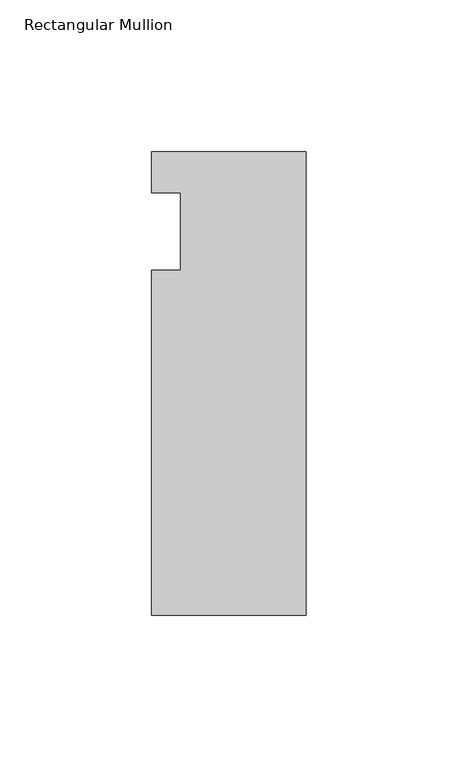
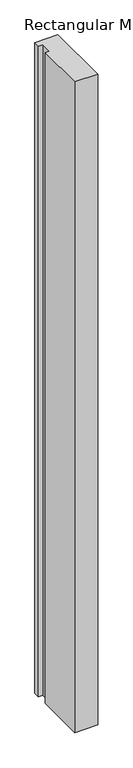
"""IFC4 building model written with IfcOpenShell, lengths in millimetres: member geometry, Rectangular Mullion."""

from ifc_helpers import new_model, si_unit, frame, origin, place, context, project, spatial, polyline, outline, extrude, source, transform, mapped, element, save


def rectangular_mullion_416052e0(model_context):
    return source(origin(), model_context, "Body", "SweptSolid", [
        extrude(outline(polyline([(-50.8, 26.19375), (0.0, 26.19375), (0.0, -126.20625), (-50.8, -126.20625), (-50.8, -12.7), (-41.275, -12.7), (-41.275, 12.7), (-50.8, 12.7), (-50.8, 26.19375)])), frame((0.0, 0.0, -1524.0), z_axis=(0.0, 0.0, 1.0), x_axis=(1.0, 0.0, 0.0)), (0.0, 0.0, 1.0), 1524.0),
    ])


if __name__ == "__main__":
    model = new_model("IFC4")
    model_context = context("Model", 3, world=origin())
    ifc_project = project(units=[si_unit("LENGTHUNIT", "METRE", prefix="MILLI")], contexts=[model_context])
    site = spatial("IfcSite", under=ifc_project)
    building = spatial("IfcBuilding", under=site)
    placement = place(None, origin())
    rectangular_mullion_shape = rectangular_mullion_416052e0(model_context)
    element("IfcMember", 1, ObjectType="Rectangular Mullion", at=placement, inside=building, context=model_context, shape_type="MappedRepresentation", body=[
        mapped(rectangular_mullion_shape, transform((0.0, 0.0, 0.0), x_axis=(1.0, 0.0, 0.0), y_axis=(0.0, 1.0, 0.0), z_axis=(0.0, 0.0, 1.0))),
    ])
    save(model, "model.ifc")
